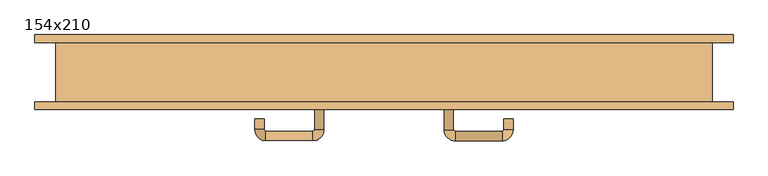
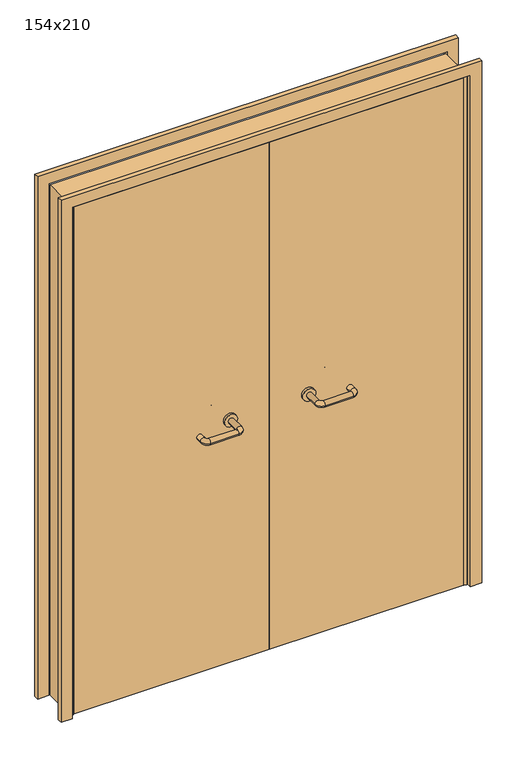
"""IFC4 building model written with IfcOpenShell, lengths in millimetres: door geometry, 154x210."""

from ifc_helpers import new_model, si_unit, point, frame, frame_2d, origin, place, context, project, spatial, polyline, circle_curve, ellipse_curve, trimmed, segment, composite_curve, outline, extrude, faceted_brep, source, transform, mapped, element, save
from ifc_brep_helpers import plane_surface, cylinder_surface, revolved_surface, advanced_brep


def door_154x210_4a9a5e84(model_context):
    return source(origin(), model_context, "Body", "SolidModel", [
        faceted_brep([(-750.0, -23.0, 0.0), (-760.0, -23.0, 0.0), (-760.0, 69.0, 0.0), (-750.0, 69.0, 0.0), (-750.0, 69.0, 2080.0), (-750.0, -23.0, 2080.0), (-760.0, 69.0, 2090.0), (-760.0, -23.0, 2090.0), (750.0, -23.0, 0.0), (750.0, 69.0, 0.0), (760.0, 69.0, 0.0), (760.0, -23.0, 0.0), (750.0, -23.0, 2080.0), (760.0, -23.0, 2090.0), (760.0, 69.0, 2090.0), (750.0, 69.0, 2080.0)], [[[0, 1, 2, 3]], [[3, 4, 5, 0]], [[2, 6, 4, 3]], [[1, 7, 6, 2]], [[0, 5, 7, 1]], [[8, 9, 10, 11]], [[12, 8, 11, 13]], [[13, 11, 10, 14]], [[14, 10, 9, 15]], [[15, 9, 8, 12]], [[4, 15, 12, 5]], [[6, 14, 15, 4]], [[7, 13, 14, 6]], [[5, 12, 13, 7]]]),
        extrude(outline(polyline([(2149.0, 819.0), (2149.0, -819.0), (0.0, -819.0), (0.0, -775.0), (2105.0, -775.0), (2105.0, 775.0), (0.0, 775.0), (0.0, 819.0), (2149.0, 819.0)])), frame((0.0, -88.0, 0.0), z_axis=(0.0, 1.0, 0.0), x_axis=(0.0, 0.0, 1.0)), (0.0, 0.0, 1.0), 18.0),
        extrude(outline(polyline([(2149.0, -819.0), (0.0, -819.0), (0.0, -775.0), (2105.0, -775.0), (2105.0, 775.0), (0.0, 775.0), (0.0, 819.0), (2149.0, 819.0), (2149.0, -819.0)])), frame((0.0, 70.0, 0.0), z_axis=(0.0, 1.0, 0.0), x_axis=(0.0, 0.0, 1.0)), (0.0, 0.0, 1.0), 18.0),
        extrude(outline(polyline([(2100.0, -770.0), (0.0, -770.0), (0.0, -760.0), (2090.0, -760.0), (2090.0, 760.0), (0.0, 760.0), (0.0, 770.0), (2100.0, 770.0), (2100.0, -770.0)])), frame((0.0, -70.0, 0.0), z_axis=(0.0, 1.0, 0.0), x_axis=(0.0, 0.0, 1.0)), (0.0, 0.0, 1.0), 139.0),
        advanced_brep(
        [(140.99898, -16.0, 1003.0), (162.99898, -16.0, 1003.0), (162.99898, 39.3525369, 1003.0), (140.99898, 39.3525369, 1003.0), (166.99898, 43.3525369, 1003.0), (166.99898, 65.3525369, 1003.0), (276.99898, 43.3525369, 1003.0), (276.99898, 65.3525369, 1003.0), (280.99898, 39.3525369, 1003.0), (302.99898, 39.3525369, 1003.0), (302.99898, 22.0, 1003.0), (280.99898, 22.0, 1003.0)],
        [
            (0, 1, circle_curve(frame((151.99898, -16.0, 1003.0), z_axis=(0.0, -1.0, 0.0), x_axis=(1.0, 0.0, 0.0)), 11.0)),
            (1, 0, circle_curve(frame((151.99898, -16.0, 1003.0), z_axis=(0.0, -1.0, 0.0), x_axis=(1.0, 0.0, 0.0)), 11.0)),
            (1, 2),
            (2, 3, circle_curve(frame((151.99898, 39.3525369, 1003.0), z_axis=(0.0, -1.0, 0.0), x_axis=(1.0, 0.0, 0.0)), 11.0)),
            (3, 0),
            (3, 2, circle_curve(frame((151.99898, 39.3525369, 1003.0), z_axis=(0.0, -1.0, 0.0), x_axis=(1.0, 0.0, 0.0)), 11.0)),
            (4, 5, circle_curve(frame((166.99898, 54.3525369, 1003.0), z_axis=(-1.0, 0.0, 0.0), x_axis=(0.0, -1.0, 0.0)), 11.0)),
            (5, 3, circle_curve(frame((166.99898, 39.3525369, 1003.0), z_axis=(0.0, 0.0, 1.0), x_axis=(-1.0, 0.0, 0.0)), 26.0)),
            (2, 4, circle_curve(frame((166.99898, 39.3525369, 1003.0), z_axis=(0.0, 0.0, -1.0), x_axis=(-1.0, 0.0, 0.0)), 4.0)),
            (5, 4, circle_curve(frame((166.99898, 54.3525369, 1003.0), z_axis=(-1.0, 0.0, 0.0), x_axis=(0.0, -1.0, 0.0)), 11.0)),
            (4, 6),
            (6, 7, circle_curve(frame((276.99898, 54.3525369, 1003.0), z_axis=(-1.0, 0.0, 0.0), x_axis=(0.0, -1.0, 0.0)), 11.0)),
            (7, 5),
            (7, 6, circle_curve(frame((276.99898, 54.3525369, 1003.0), z_axis=(-1.0, 0.0, 0.0), x_axis=(0.0, -1.0, 0.0)), 11.0)),
            (8, 9, circle_curve(frame((291.99898, 39.3525369, 1003.0), z_axis=(0.0, 1.0, 0.0), x_axis=(-1.0, 0.0, 0.0)), 11.0)),
            (9, 7, circle_curve(frame((276.99898, 39.3525369, 1003.0), z_axis=(0.0, 0.0, 1.0), x_axis=(0.0, 1.0, 0.0)), 26.0)),
            (6, 8, circle_curve(frame((276.99898, 39.3525369, 1003.0), z_axis=(0.0, 0.0, -1.0), x_axis=(0.0, 1.0, 0.0)), 4.0)),
            (9, 8, circle_curve(frame((291.99898, 39.3525369, 1003.0), z_axis=(0.0, 1.0, 0.0), x_axis=(-1.0, 0.0, 0.0)), 11.0)),
            (10, 11, circle_curve(frame((291.99898, 22.0, 1003.0), z_axis=(0.0, -1.0, 0.0), x_axis=(-1.0, 0.0, 0.0)), 11.0)),
            (11, 10, circle_curve(frame((291.99898, 22.0, 1003.0), z_axis=(0.0, -1.0, 0.0), x_axis=(-1.0, 0.0, 0.0)), 11.0)),
            (8, 11),
            (10, 9),
        ],
        [
            plane_surface(frame((140.99898, -16.0, 1003.0), z_axis=(0.0, -1.0, 0.0), x_axis=(0.0, 0.0, -1.0))),
            cylinder_surface(frame((151.99898, -16.0, 1003.0), z_axis=(0.0, -1.0, 0.0), x_axis=(1.0, 0.0, 0.0)), 11.0),
            revolved_surface(trimmed(ellipse_curve(frame((151.99898, 39.3525369, 1003.0), z_axis=(0.0, 1.0, 0.0), x_axis=(1.0, 0.0, 0.0)), 11.0, 11.0), [point((140.99898, 39.3525369, 1003.0))], [point((162.99898, 39.3525369, 1003.0))], True, "CARTESIAN"), (166.99898, 39.3525369, 1003.0), (0.0, 0.0, 1.0)),
            revolved_surface(trimmed(ellipse_curve(frame((151.99898, 39.3525369, 1003.0), z_axis=(0.0, 1.0, 0.0), x_axis=(1.0, 0.0, 0.0)), 11.0, 11.0), [point((162.99898, 39.3525369, 1003.0))], [point((140.99898, 39.3525369, 1003.0))], True, "CARTESIAN"), (166.99898, 39.3525369, 1003.0), (0.0, 0.0, 1.0)),
            cylinder_surface(frame((166.99898, 54.3525369, 1003.0), z_axis=(-1.0, 0.0, 0.0), x_axis=(0.0, -1.0, 0.0)), 11.0),
            revolved_surface(trimmed(ellipse_curve(frame((276.99898, 54.3525369, 1003.0), z_axis=(1.0, 0.0, 0.0), x_axis=(0.0, -1.0, 0.0)), 11.0, 11.0), [point((276.99898, 65.3525369, 1003.0))], [point((276.99898, 43.3525369, 1003.0))], True, "CARTESIAN"), (276.99898, 39.3525369, 1003.0), (0.0, 0.0, 1.0)),
            revolved_surface(trimmed(ellipse_curve(frame((276.99898, 54.3525369, 1003.0), z_axis=(1.0, 0.0, 0.0), x_axis=(0.0, -1.0, 0.0)), 11.0, 11.0), [point((276.99898, 43.3525369, 1003.0))], [point((276.99898, 65.3525369, 1003.0))], True, "CARTESIAN"), (276.99898, 39.3525369, 1003.0), (0.0, 0.0, 1.0)),
            plane_surface(frame((280.99898, 22.0, 1003.0), z_axis=(0.0, -1.0, 0.0), x_axis=(0.0, 0.0, 1.0))),
            cylinder_surface(frame((291.99898, 39.3525369, 1003.0), z_axis=(0.0, 1.0, 0.0), x_axis=(-1.0, 0.0, 0.0)), 11.0),
        ],
        [
            (0, [[1, 2]]),
            (1, [[3, 4, 5, -2]]),
            (1, [[-5, 6, -3, -1]]),
            (2, [[7, 8, -4, 9]]),
            (3, [[10, -9, -6, -8]]),
            (4, [[11, 12, 13, -7]]),
            (4, [[-13, 14, -11, -10]]),
            (5, [[15, 16, -12, 17]]),
            (6, [[18, -17, -14, -16]]),
            (7, [[19, 20]]),
            (8, [[21, -19, 22, -15]]),
            (8, [[-22, -20, -21, -18]]),
        ],
    ),
        extrude(outline(composite_curve([segment(trimmed(circle_curve(frame_2d((1003.0, 151.99898)), 25.0), [point((1003.0, 126.99898))], [point((1003.0, 176.99898))], False, "CARTESIAN"), True, "CONTINUOUS"), segment(trimmed(circle_curve(frame_2d((1003.0, 151.99898)), 25.0), [point((1003.0, 176.99898))], [point((1003.0, 126.99898))], False, "CARTESIAN"), True, "CONTINUOUS")], self_intersect=False)), frame((0.0, -26.0, 0.0), z_axis=(0.0, 1.0, 0.0), x_axis=(0.0, 0.0, 1.0)), (0.0, 0.0, 1.0), 10.0),
        advanced_brep(
        [(162.99898, -80.0, 1003.0), (140.99898, -80.0, 1003.0), (140.99898, -135.0, 1003.0), (162.99898, -135.0, 1003.0), (166.99898, -161.0, 1003.0), (166.99898, -139.0, 1003.0), (276.99898, -161.0, 1003.0), (276.99898, -139.0, 1003.0), (302.99898, -135.0, 1003.0), (280.99898, -135.0, 1003.0), (280.99898, -110.0, 1003.0), (302.99898, -110.0, 1003.0)],
        [
            (0, 1, circle_curve(frame((151.99898, -80.0, 1003.0), z_axis=(0.0, 1.0, 0.0), x_axis=(-1.0, 0.0, 0.0)), 11.0)),
            (1, 0, circle_curve(frame((151.99898, -80.0, 1003.0), z_axis=(0.0, 1.0, 0.0), x_axis=(-1.0, 0.0, 0.0)), 11.0)),
            (1, 2),
            (2, 3, circle_curve(frame((151.99898, -135.0, 1003.0), z_axis=(0.0, 1.0, 0.0), x_axis=(-1.0, 0.0, 0.0)), 11.0)),
            (3, 0),
            (3, 2, circle_curve(frame((151.99898, -135.0, 1003.0), z_axis=(0.0, 1.0, 0.0), x_axis=(-1.0, 0.0, 0.0)), 11.0)),
            (4, 5, circle_curve(frame((166.99898, -150.0, 1003.0), z_axis=(-1.0, 0.0, 0.0), x_axis=(0.0, -1.0, 0.0)), 11.0)),
            (5, 3, circle_curve(frame((166.99898, -135.0, 1003.0), z_axis=(0.0, 0.0, -1.0), x_axis=(-1.0, 0.0, 0.0)), 4.0)),
            (2, 4, circle_curve(frame((166.99898, -135.0, 1003.0), z_axis=(0.0, 0.0, 1.0), x_axis=(-1.0, 0.0, 0.0)), 26.0)),
            (5, 4, circle_curve(frame((166.99898, -150.0, 1003.0), z_axis=(-1.0, 0.0, 0.0), x_axis=(0.0, -1.0, 0.0)), 11.0)),
            (4, 6),
            (6, 7, circle_curve(frame((276.99898, -150.0, 1003.0), z_axis=(-1.0, 0.0, 0.0), x_axis=(0.0, -1.0, 0.0)), 11.0)),
            (7, 5),
            (7, 6, circle_curve(frame((276.99898, -150.0, 1003.0), z_axis=(-1.0, 0.0, 0.0), x_axis=(0.0, -1.0, 0.0)), 11.0)),
            (8, 9, circle_curve(frame((291.99898, -135.0, 1003.0), z_axis=(0.0, -1.0, 0.0), x_axis=(1.0, 0.0, 0.0)), 11.0)),
            (9, 7, circle_curve(frame((276.99898, -135.0, 1003.0), z_axis=(0.0, 0.0, -1.0), x_axis=(0.0, -1.0, 0.0)), 4.0)),
            (6, 8, circle_curve(frame((276.99898, -135.0, 1003.0), z_axis=(0.0, 0.0, 1.0), x_axis=(0.0, -1.0, 0.0)), 26.0)),
            (9, 8, circle_curve(frame((291.99898, -135.0, 1003.0), z_axis=(0.0, -1.0, 0.0), x_axis=(1.0, 0.0, 0.0)), 11.0)),
            (10, 11, circle_curve(frame((291.99898, -110.0, 1003.0), z_axis=(0.0, 1.0, 0.0), x_axis=(1.0, 0.0, 0.0)), 11.0)),
            (11, 10, circle_curve(frame((291.99898, -110.0, 1003.0), z_axis=(0.0, 1.0, 0.0), x_axis=(1.0, 0.0, 0.0)), 11.0)),
            (8, 11),
            (10, 9),
        ],
        [
            plane_surface(frame((140.99898, -80.0, 1003.0), z_axis=(0.0, 1.0, 0.0), x_axis=(0.0, 0.0, 1.0))),
            cylinder_surface(frame((151.99898, -80.0, 1003.0), z_axis=(0.0, 1.0, 0.0), x_axis=(-1.0, 0.0, 0.0)), 11.0),
            revolved_surface(trimmed(ellipse_curve(frame((151.99898, -135.0, 1003.0), z_axis=(0.0, -1.0, 0.0), x_axis=(-1.0, 0.0, 0.0)), 11.0, 11.0), [point((162.99898, -135.0, 1003.0))], [point((140.99898, -135.0, 1003.0))], True, "CARTESIAN"), (166.99898, -135.0, 1003.0), (0.0, 0.0, -1.0)),
            revolved_surface(trimmed(ellipse_curve(frame((151.99898, -135.0, 1003.0), z_axis=(0.0, -1.0, 0.0), x_axis=(-1.0, 0.0, 0.0)), 11.0, 11.0), [point((140.99898, -135.0, 1003.0))], [point((162.99898, -135.0, 1003.0))], True, "CARTESIAN"), (166.99898, -135.0, 1003.0), (0.0, 0.0, -1.0)),
            cylinder_surface(frame((166.99898, -150.0, 1003.0), z_axis=(-1.0, 0.0, 0.0), x_axis=(0.0, -1.0, 0.0)), 11.0),
            revolved_surface(trimmed(ellipse_curve(frame((276.99898, -150.0, 1003.0), z_axis=(1.0, 0.0, 0.0), x_axis=(0.0, -1.0, 0.0)), 11.0, 11.0), [point((276.99898, -139.0, 1003.0))], [point((276.99898, -161.0, 1003.0))], True, "CARTESIAN"), (276.99898, -135.0, 1003.0), (0.0, 0.0, -1.0)),
            revolved_surface(trimmed(ellipse_curve(frame((276.99898, -150.0, 1003.0), z_axis=(1.0, 0.0, 0.0), x_axis=(0.0, -1.0, 0.0)), 11.0, 11.0), [point((276.99898, -161.0, 1003.0))], [point((276.99898, -139.0, 1003.0))], True, "CARTESIAN"), (276.99898, -135.0, 1003.0), (0.0, 0.0, -1.0)),
            plane_surface(frame((280.99898, -110.0, 1003.0), z_axis=(0.0, 1.0, 0.0), x_axis=(0.0, 0.0, -1.0))),
            cylinder_surface(frame((291.99898, -135.0, 1003.0), z_axis=(0.0, -1.0, 0.0), x_axis=(1.0, 0.0, 0.0)), 11.0),
        ],
        [
            (0, [[1, 2]]),
            (1, [[3, 4, 5, -2]]),
            (1, [[-5, 6, -3, -1]]),
            (2, [[7, 8, -4, 9]]),
            (3, [[10, -9, -6, -8]]),
            (4, [[11, 12, 13, -7]]),
            (4, [[-13, 14, -11, -10]]),
            (5, [[15, 16, -12, 17]]),
            (6, [[18, -17, -14, -16]]),
            (7, [[19, 20]]),
            (8, [[21, -19, 22, -15]]),
            (8, [[-22, -20, -21, -18]]),
        ],
    ),
        extrude(outline(composite_curve([segment(trimmed(circle_curve(frame_2d((1003.0, 151.99898)), 25.0), [point((1003.0, 176.99898))], [point((1003.0, 126.99898))], False, "CARTESIAN"), True, "CONTINUOUS"), segment(trimmed(circle_curve(frame_2d((1003.0, 151.99898)), 25.0), [point((1003.0, 126.99898))], [point((1003.0, 176.99898))], False, "CARTESIAN"), True, "CONTINUOUS")], self_intersect=False)), frame((0.0, -80.0, 0.0), z_axis=(0.0, 1.0, 0.0), x_axis=(0.0, 0.0, 1.0)), (0.0, 0.0, 1.0), 10.0),
        advanced_brep(
        [(-162.99898, -15.6886121, 1003.0), (-140.99898, -15.6886121, 1003.0), (-140.99898, 39.7220447, 1003.0), (-162.99898, 39.7220447, 1003.0), (-166.99898, 65.7220447, 1003.0), (-166.99898, 43.7220447, 1003.0), (-276.99898, 65.7220447, 1003.0), (-276.99898, 43.7220447, 1003.0), (-302.99898, 39.7220447, 1003.0), (-280.99898, 39.7220447, 1003.0), (-280.99898, 14.7220447, 1003.0), (-302.99898, 14.7220447, 1003.0)],
        [
            (0, 1, circle_curve(frame((-151.99898, -15.6886121, 1003.0), z_axis=(0.0, -1.0, 0.0), x_axis=(1.0, 0.0, 0.0)), 11.0)),
            (1, 0, circle_curve(frame((-151.99898, -15.6886121, 1003.0), z_axis=(0.0, -1.0, 0.0), x_axis=(1.0, 0.0, 0.0)), 11.0)),
            (1, 2),
            (2, 3, circle_curve(frame((-151.99898, 39.7220447, 1003.0), z_axis=(0.0, -1.0, 0.0), x_axis=(1.0, 0.0, 0.0)), 11.0)),
            (3, 0),
            (3, 2, circle_curve(frame((-151.99898, 39.7220447, 1003.0), z_axis=(0.0, -1.0, 0.0), x_axis=(1.0, 0.0, 0.0)), 11.0)),
            (4, 5, circle_curve(frame((-166.99898, 54.7220447, 1003.0), z_axis=(1.0, 0.0, 0.0), x_axis=(0.0, 1.0, 0.0)), 11.0)),
            (5, 3, circle_curve(frame((-166.99898, 39.7220447, 1003.0), z_axis=(0.0, 0.0, -1.0), x_axis=(1.0, 0.0, 0.0)), 4.0)),
            (2, 4, circle_curve(frame((-166.99898, 39.7220447, 1003.0), z_axis=(0.0, 0.0, 1.0), x_axis=(1.0, 0.0, 0.0)), 26.0)),
            (5, 4, circle_curve(frame((-166.99898, 54.7220447, 1003.0), z_axis=(1.0, 0.0, 0.0), x_axis=(0.0, 1.0, 0.0)), 11.0)),
            (4, 6),
            (6, 7, circle_curve(frame((-276.99898, 54.7220447, 1003.0), z_axis=(1.0, 0.0, 0.0), x_axis=(0.0, 1.0, 0.0)), 11.0)),
            (7, 5),
            (7, 6, circle_curve(frame((-276.99898, 54.7220447, 1003.0), z_axis=(1.0, 0.0, 0.0), x_axis=(0.0, 1.0, 0.0)), 11.0)),
            (8, 9, circle_curve(frame((-291.99898, 39.7220447, 1003.0), z_axis=(0.0, 1.0, 0.0), x_axis=(-1.0, 0.0, 0.0)), 11.0)),
            (9, 7, circle_curve(frame((-276.99898, 39.7220447, 1003.0), z_axis=(0.0, 0.0, -1.0), x_axis=(0.0, 1.0, 0.0)), 4.0)),
            (6, 8, circle_curve(frame((-276.99898, 39.7220447, 1003.0), z_axis=(0.0, 0.0, 1.0), x_axis=(0.0, 1.0, 0.0)), 26.0)),
            (9, 8, circle_curve(frame((-291.99898, 39.7220447, 1003.0), z_axis=(0.0, 1.0, 0.0), x_axis=(-1.0, 0.0, 0.0)), 11.0)),
            (10, 11, circle_curve(frame((-291.99898, 14.7220447, 1003.0), z_axis=(0.0, -1.0, 0.0), x_axis=(-1.0, 0.0, 0.0)), 11.0)),
            (11, 10, circle_curve(frame((-291.99898, 14.7220447, 1003.0), z_axis=(0.0, -1.0, 0.0), x_axis=(-1.0, 0.0, 0.0)), 11.0)),
            (8, 11),
            (10, 9),
        ],
        [
            plane_surface(frame((-162.99898, -15.6886121, 1003.0), z_axis=(0.0, -1.0, 0.0), x_axis=(0.0, 0.0, -1.0))),
            cylinder_surface(frame((-151.99898, -15.6886121, 1003.0), z_axis=(0.0, -1.0, 0.0), x_axis=(1.0, 0.0, 0.0)), 11.0),
            revolved_surface(trimmed(ellipse_curve(frame((-151.99898, 39.7220447, 1003.0), z_axis=(0.0, 1.0, 0.0), x_axis=(1.0, 0.0, 0.0)), 11.0, 11.0), [point((-162.99898, 39.7220447, 1003.0))], [point((-140.99898, 39.7220447, 1003.0))], True, "CARTESIAN"), (-166.99898, 39.7220447, 1003.0), (0.0, 0.0, -1.0)),
            revolved_surface(trimmed(ellipse_curve(frame((-151.99898, 39.7220447, 1003.0), z_axis=(0.0, 1.0, 0.0), x_axis=(1.0, 0.0, 0.0)), 11.0, 11.0), [point((-140.99898, 39.7220447, 1003.0))], [point((-162.99898, 39.7220447, 1003.0))], True, "CARTESIAN"), (-166.99898, 39.7220447, 1003.0), (0.0, 0.0, -1.0)),
            cylinder_surface(frame((-166.99898, 54.7220447, 1003.0), z_axis=(1.0, 0.0, 0.0), x_axis=(0.0, 1.0, 0.0)), 11.0),
            revolved_surface(trimmed(ellipse_curve(frame((-276.99898, 54.7220447, 1003.0), z_axis=(-1.0, 0.0, 0.0), x_axis=(0.0, 1.0, 0.0)), 11.0, 11.0), [point((-276.99898, 43.7220447, 1003.0))], [point((-276.99898, 65.7220447, 1003.0))], True, "CARTESIAN"), (-276.99898, 39.7220447, 1003.0), (0.0, 0.0, -1.0)),
            revolved_surface(trimmed(ellipse_curve(frame((-276.99898, 54.7220447, 1003.0), z_axis=(-1.0, 0.0, 0.0), x_axis=(0.0, 1.0, 0.0)), 11.0, 11.0), [point((-276.99898, 65.7220447, 1003.0))], [point((-276.99898, 43.7220447, 1003.0))], True, "CARTESIAN"), (-276.99898, 39.7220447, 1003.0), (0.0, 0.0, -1.0)),
            plane_surface(frame((-302.99898, 14.7220447, 1003.0), z_axis=(0.0, -1.0, 0.0), x_axis=(0.0, 0.0, 1.0))),
            cylinder_surface(frame((-291.99898, 39.7220447, 1003.0), z_axis=(0.0, 1.0, 0.0), x_axis=(-1.0, 0.0, 0.0)), 11.0),
        ],
        [
            (0, [[1, 2]]),
            (1, [[3, 4, 5, -2]]),
            (1, [[-5, 6, -3, -1]]),
            (2, [[7, 8, -4, 9]]),
            (3, [[10, -9, -6, -8]]),
            (4, [[11, 12, 13, -7]]),
            (4, [[-13, 14, -11, -10]]),
            (5, [[15, 16, -12, 17]]),
            (6, [[18, -17, -14, -16]]),
            (7, [[19, 20]]),
            (8, [[21, -19, 22, -15]]),
            (8, [[-22, -20, -21, -18]]),
        ],
    ),
        extrude(outline(composite_curve([segment(trimmed(circle_curve(frame_2d((1003.0, -151.99898)), 25.0), [point((1003.0, -176.99898))], [point((1003.0, -126.99898))], False, "CARTESIAN"), True, "CONTINUOUS"), segment(trimmed(circle_curve(frame_2d((1003.0, -151.99898)), 25.0), [point((1003.0, -126.99898))], [point((1003.0, -176.99898))], False, "CARTESIAN"), True, "CONTINUOUS")], self_intersect=False)), frame((0.0, -26.0, 0.0), z_axis=(0.0, 1.0, 0.0), x_axis=(0.0, 0.0, 1.0)), (0.0, 0.0, 1.0), 10.3113879),
        advanced_brep(
        [(-140.99898, -79.5143417, 1003.0), (-162.99898, -79.5143417, 1003.0), (-162.99898, -134.6104656, 1003.0), (-140.99898, -134.6104656, 1003.0), (-166.99898, -138.6104656, 1003.0), (-166.99898, -160.6104656, 1003.0), (-276.99898, -138.6104656, 1003.0), (-276.99898, -160.6104656, 1003.0), (-280.99898, -134.6104656, 1003.0), (-302.99898, -134.6104656, 1003.0), (-302.99898, -109.6104656, 1003.0), (-280.99898, -109.6104656, 1003.0)],
        [
            (0, 1, circle_curve(frame((-151.99898, -79.5143417, 1003.0), z_axis=(0.0, 1.0, 0.0), x_axis=(-1.0, 0.0, 0.0)), 11.0)),
            (1, 0, circle_curve(frame((-151.99898, -79.5143417, 1003.0), z_axis=(0.0, 1.0, 0.0), x_axis=(-1.0, 0.0, 0.0)), 11.0)),
            (1, 2),
            (2, 3, circle_curve(frame((-151.99898, -134.6104656, 1003.0), z_axis=(0.0, 1.0, 0.0), x_axis=(-1.0, 0.0, 0.0)), 11.0)),
            (3, 0),
            (3, 2, circle_curve(frame((-151.99898, -134.6104656, 1003.0), z_axis=(0.0, 1.0, 0.0), x_axis=(-1.0, 0.0, 0.0)), 11.0)),
            (4, 5, circle_curve(frame((-166.99898, -149.6104656, 1003.0), z_axis=(1.0, 0.0, 0.0), x_axis=(0.0, 1.0, 0.0)), 11.0)),
            (5, 3, circle_curve(frame((-166.99898, -134.6104656, 1003.0), z_axis=(0.0, 0.0, 1.0), x_axis=(1.0, 0.0, 0.0)), 26.0)),
            (2, 4, circle_curve(frame((-166.99898, -134.6104656, 1003.0), z_axis=(0.0, 0.0, -1.0), x_axis=(1.0, 0.0, 0.0)), 4.0)),
            (5, 4, circle_curve(frame((-166.99898, -149.6104656, 1003.0), z_axis=(1.0, 0.0, 0.0), x_axis=(0.0, 1.0, 0.0)), 11.0)),
            (4, 6),
            (6, 7, circle_curve(frame((-276.99898, -149.6104656, 1003.0), z_axis=(1.0, 0.0, 0.0), x_axis=(0.0, 1.0, 0.0)), 11.0)),
            (7, 5),
            (7, 6, circle_curve(frame((-276.99898, -149.6104656, 1003.0), z_axis=(1.0, 0.0, 0.0), x_axis=(0.0, 1.0, 0.0)), 11.0)),
            (8, 9, circle_curve(frame((-291.99898, -134.6104656, 1003.0), z_axis=(0.0, -1.0, 0.0), x_axis=(1.0, 0.0, 0.0)), 11.0)),
            (9, 7, circle_curve(frame((-276.99898, -134.6104656, 1003.0), z_axis=(0.0, 0.0, 1.0), x_axis=(0.0, -1.0, 0.0)), 26.0)),
            (6, 8, circle_curve(frame((-276.99898, -134.6104656, 1003.0), z_axis=(0.0, 0.0, -1.0), x_axis=(0.0, -1.0, 0.0)), 4.0)),
            (9, 8, circle_curve(frame((-291.99898, -134.6104656, 1003.0), z_axis=(0.0, -1.0, 0.0), x_axis=(1.0, 0.0, 0.0)), 11.0)),
            (10, 11, circle_curve(frame((-291.99898, -109.6104656, 1003.0), z_axis=(0.0, 1.0, 0.0), x_axis=(1.0, 0.0, 0.0)), 11.0)),
            (11, 10, circle_curve(frame((-291.99898, -109.6104656, 1003.0), z_axis=(0.0, 1.0, 0.0), x_axis=(1.0, 0.0, 0.0)), 11.0)),
            (8, 11),
            (10, 9),
        ],
        [
            plane_surface(frame((-162.99898, -79.5143417, 1003.0), z_axis=(0.0, 1.0, 0.0), x_axis=(0.0, 0.0, 1.0))),
            cylinder_surface(frame((-151.99898, -79.5143417, 1003.0), z_axis=(0.0, 1.0, 0.0), x_axis=(-1.0, 0.0, 0.0)), 11.0),
            revolved_surface(trimmed(ellipse_curve(frame((-151.99898, -134.6104656, 1003.0), z_axis=(0.0, -1.0, 0.0), x_axis=(-1.0, 0.0, 0.0)), 11.0, 11.0), [point((-140.99898, -134.6104656, 1003.0))], [point((-162.99898, -134.6104656, 1003.0))], True, "CARTESIAN"), (-166.99898, -134.6104656, 1003.0), (0.0, 0.0, 1.0)),
            revolved_surface(trimmed(ellipse_curve(frame((-151.99898, -134.6104656, 1003.0), z_axis=(0.0, -1.0, 0.0), x_axis=(-1.0, 0.0, 0.0)), 11.0, 11.0), [point((-162.99898, -134.6104656, 1003.0))], [point((-140.99898, -134.6104656, 1003.0))], True, "CARTESIAN"), (-166.99898, -134.6104656, 1003.0), (0.0, 0.0, 1.0)),
            cylinder_surface(frame((-166.99898, -149.6104656, 1003.0), z_axis=(1.0, 0.0, 0.0), x_axis=(0.0, 1.0, 0.0)), 11.0),
            revolved_surface(trimmed(ellipse_curve(frame((-276.99898, -149.6104656, 1003.0), z_axis=(-1.0, 0.0, 0.0), x_axis=(0.0, 1.0, 0.0)), 11.0, 11.0), [point((-276.99898, -160.6104656, 1003.0))], [point((-276.99898, -138.6104656, 1003.0))], True, "CARTESIAN"), (-276.99898, -134.6104656, 1003.0), (0.0, 0.0, 1.0)),
            revolved_surface(trimmed(ellipse_curve(frame((-276.99898, -149.6104656, 1003.0), z_axis=(-1.0, 0.0, 0.0), x_axis=(0.0, 1.0, 0.0)), 11.0, 11.0), [point((-276.99898, -138.6104656, 1003.0))], [point((-276.99898, -160.6104656, 1003.0))], True, "CARTESIAN"), (-276.99898, -134.6104656, 1003.0), (0.0, 0.0, 1.0)),
            plane_surface(frame((-302.99898, -109.6104656, 1003.0), z_axis=(0.0, 1.0, 0.0), x_axis=(0.0, 0.0, -1.0))),
            cylinder_surface(frame((-291.99898, -134.6104656, 1003.0), z_axis=(0.0, -1.0, 0.0), x_axis=(1.0, 0.0, 0.0)), 11.0),
        ],
        [
            (0, [[1, 2]]),
            (1, [[3, 4, 5, -2]]),
            (1, [[-5, 6, -3, -1]]),
            (2, [[7, 8, -4, 9]]),
            (3, [[10, -9, -6, -8]]),
            (4, [[11, 12, 13, -7]]),
            (4, [[-13, 14, -11, -10]]),
            (5, [[15, 16, -12, 17]]),
            (6, [[18, -17, -14, -16]]),
            (7, [[19, 20]]),
            (8, [[21, -19, 22, -15]]),
            (8, [[-22, -20, -21, -18]]),
        ],
    ),
        extrude(outline(composite_curve([segment(trimmed(circle_curve(frame_2d((1003.0, -151.99898)), 25.0), [point((1003.0, -126.99898))], [point((1003.0, -176.99898))], False, "CARTESIAN"), True, "CONTINUOUS"), segment(trimmed(circle_curve(frame_2d((1003.0, -151.99898)), 25.0), [point((1003.0, -176.99898))], [point((1003.0, -126.99898))], False, "CARTESIAN"), True, "CONTINUOUS")], self_intersect=False)), frame((0.0, -79.5143417, 0.0), z_axis=(0.0, 1.0, 0.0), x_axis=(0.0, 0.0, 1.0)), (0.0, 0.0, 1.0), 9.5143417),
        extrude(outline(polyline([(1.0739506, -26.0), (1.0739506, -70.0), (-757.0, -70.0), (-757.0, -26.0), (1.0739506, -26.0)])), frame((0.0, 0.0, 1.753223), z_axis=(0.0, 0.0, 1.0), x_axis=(1.0, 0.0, 0.0)), (0.0, 0.0, 1.0), 2088.246777),
        extrude(outline(polyline([(757.0, -26.0), (757.0, -70.0), (1.0739506, -70.0), (1.0739506, -26.0), (757.0, -26.0)])), frame((0.0, 0.0, 1.753223), z_axis=(0.0, 0.0, 1.0), x_axis=(1.0, 0.0, 0.0)), (0.0, 0.0, 1.0), 2088.246777),
    ])


if __name__ == "__main__":
    model = new_model("IFC4")
    model_context = context("Model", 3, world=origin())
    ifc_project = project(units=[si_unit("LENGTHUNIT", "METRE", prefix="MILLI")], contexts=[model_context])
    site = spatial("IfcSite", under=ifc_project)
    building = spatial("IfcBuilding", under=site)
    placement = place(None, origin())
    door_154x210_shape = door_154x210_4a9a5e84(model_context)
    element("IfcDoor", 1, ObjectType="154x210", at=placement, inside=building, context=model_context, shape_type="MappedRepresentation", body=[
        mapped(door_154x210_shape, transform((0.0, 0.0, 0.0), x_axis=(1.0, 0.0, 0.0), y_axis=(0.0, 1.0, 0.0), z_axis=(0.0, 0.0, 1.0))),
    ])
    save(model, "model.ifc")
